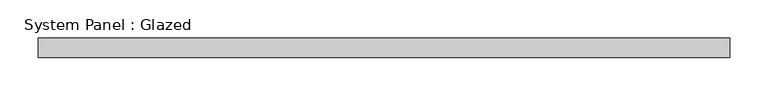
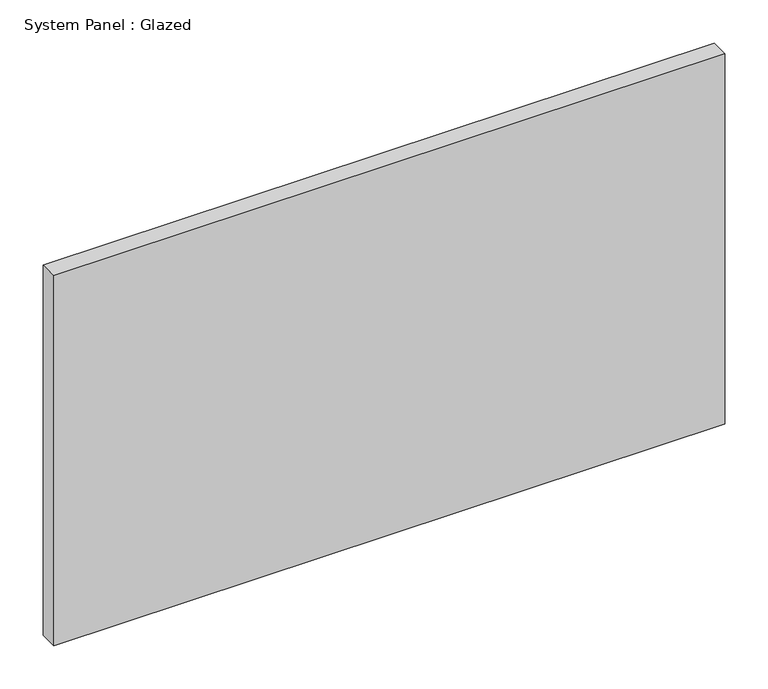
"""IFC4 building model written with IfcOpenShell, lengths in millimetres: plate geometry, System Panel : Glazed."""

import ifcopenshell
import ifcopenshell.guid

model = None  # the IFC model being written
_history = None  # IfcOwnerHistory: only IFC2X3 demands one
_inside = {}  # id of a spatial element -> (the spatial element, [elements in it])
_under = {}  # id of a project, library or spatial element -> (it, [spatial elements below it])
_declared = {}  # id of a project -> (the project, [libraries it declares])
_typed = {}  # id of a type object -> (the type object, [elements of that type])
_made_of = {}  # id of a material, layer set ... -> (it, [elements and type objects made of it])


def new_model(schema):
    """Start an empty IFC model of exactly this schema.

    Asked for "IFC4X3", IfcOpenShell would pick the latest addendum, in which some entities
    have other attributes; the version numbers below select the first issue.
    IFC2X3 requires an IfcOwnerHistory on every rooted entity: one is made here for all.
    """
    global model, _history
    if schema == "IFC4X3":
        model = ifcopenshell.file(schema_version=(4, 3, 0, 0))
    else:
        model = ifcopenshell.file(schema=schema)
    _inside.clear()
    _under.clear()
    _declared.clear()
    _typed.clear()
    _made_of.clear()
    _history = None
    if model.schema == "IFC2X3":
        org = make("IfcOrganization", Name="unknown")
        user = make(
            "IfcPersonAndOrganization",
            ThePerson=make("IfcPerson", FamilyName="unknown"),
            TheOrganization=org,
        )
        app = make(
            "IfcApplication",
            ApplicationDeveloper=org,
            Version="unknown",
            ApplicationFullName="unknown",
            ApplicationIdentifier="unknown",
        )
        _history = make(
            "IfcOwnerHistory",
            OwningUser=user,
            OwningApplication=app,
            ChangeAction="ADDED",
            CreationDate=0,
        )
    return model


def make(cls, **values):
    """One entity of the class cls with the attributes given. An attribute that is None is left unset."""
    return model.create_entity(
        cls, **{name: value for name, value in values.items() if value is not None}
    )


def rooted(cls, **values):
    """An entity with a GlobalId (a new one), such as an element, a storey or a relation."""
    return make(cls, GlobalId=ifcopenshell.guid.new(), OwnerHistory=_history, **values)


def si_unit(unit_type, name, prefix=None):
    """IfcSIUnit, for example si_unit("LENGTHUNIT", "METRE", prefix="MILLI")."""
    return make("IfcSIUnit", UnitType=unit_type, Prefix=prefix, Name=name)


def assignment(units):
    """IfcUnitAssignment: the units of a project."""
    return None if units is None else make("IfcUnitAssignment", Units=units)


def point(xyz):
    """IfcCartesianPoint."""
    return None if xyz is None else make("IfcCartesianPoint", Coordinates=xyz)


def direction(xyz):
    """IfcDirection."""
    return None if xyz is None else make("IfcDirection", DirectionRatios=xyz)


def frame(location, z_axis=None, x_axis=None):
    """IfcAxis2Placement3D, a coordinate frame: its origin and axes. An axis left out is left unset."""
    return make(
        "IfcAxis2Placement3D",
        Location=point(location),
        Axis=direction(z_axis),
        RefDirection=direction(x_axis),
    )


def origin():
    """The frame at (0, 0, 0) with its axes left unset."""
    return frame((0.0, 0.0, 0.0))


def origin_with_axes():
    """The frame at (0, 0, 0) with the z axis (0, 0, 1) and the x axis (1, 0, 0) written out."""
    return frame((0.0, 0.0, 0.0), z_axis=(0.0, 0.0, 1.0), x_axis=(1.0, 0.0, 0.0))


def place(relative_to, where):
    """IfcLocalPlacement: puts the frame where relative to a parent placement (None: the world)."""
    return make(
        "IfcLocalPlacement", PlacementRelTo=relative_to, RelativePlacement=where
    )


def context(
    kind, dimensions, precision=None, world=None, true_north=None, identifier=None
):
    """IfcGeometricRepresentationContext, for example the 3D "Model" context."""
    return make(
        "IfcGeometricRepresentationContext",
        ContextIdentifier=identifier,
        ContextType=kind,
        CoordinateSpaceDimension=dimensions,
        Precision=precision,
        WorldCoordinateSystem=world,
        TrueNorth=true_north,
    )


def project(units=None, contexts=None):
    """IfcProject with its units and contexts."""
    return rooted(
        "IfcProject",
        Name="project",
        RepresentationContexts=contexts,
        UnitsInContext=assignment(units),
    )


def spatial(cls, under=None, at=None, **own):
    """A site, building, storey or space (cls), placed at a placement, below another one or the project."""
    s = rooted(cls, ObjectPlacement=at, **own)
    if under is not None:
        _under.setdefault(under.id(), (under, []))[1].append(s)
    return s


def polyline(points):
    """IfcPolyline through the points."""
    return make("IfcPolyline", Points=[point(p) for p in points])


def outline(outer, holes=None, kind="AREA"):
    """IfcArbitraryClosedProfileDef: a profile drawn as a closed curve; with holes, ...WithVoids."""
    if holes is None:
        return make("IfcArbitraryClosedProfileDef", ProfileType=kind, OuterCurve=outer)
    return make(
        "IfcArbitraryProfileDefWithVoids",
        ProfileType=kind,
        OuterCurve=outer,
        InnerCurves=holes,
    )


def extrude(swept, where, along, depth):
    """IfcExtrudedAreaSolid: the profile swept, set in the frame where, extruded along a direction by depth."""
    return make(
        "IfcExtrudedAreaSolid",
        SweptArea=swept,
        Position=where,
        ExtrudedDirection=direction(along),
        Depth=depth,
    )


def shape(context_of_items, identifier, shape_type, items):
    """IfcShapeRepresentation: the items that make up one representation, for example the "Body"."""
    return make(
        "IfcShapeRepresentation",
        ContextOfItems=context_of_items,
        RepresentationIdentifier=identifier,
        RepresentationType=shape_type,
        Items=items,
    )


def source(mapping_origin, context_of_items, identifier, shape_type, items):
    """IfcRepresentationMap: a shape defined once, which mapped items show again and again."""
    return make(
        "IfcRepresentationMap",
        MappingOrigin=mapping_origin,
        MappedRepresentation=shape(context_of_items, identifier, shape_type, items),
    )


def transform(
    local_origin,
    x_axis=None,
    y_axis=None,
    z_axis=None,
    scale=None,
    scale2=None,
    scale3=None,
    uniform=True,
):
    """IfcCartesianTransformationOperator3D, or its non-uniform kind. x_axis, y_axis, z_axis: its Axis1, 2, 3."""
    if uniform:
        return make(
            "IfcCartesianTransformationOperator3D",
            Axis1=direction(x_axis),
            Axis2=direction(y_axis),
            LocalOrigin=point(local_origin),
            Scale=scale,
            Axis3=direction(z_axis),
        )
    return make(
        "IfcCartesianTransformationOperator3DnonUniform",
        Axis1=direction(x_axis),
        Axis2=direction(y_axis),
        LocalOrigin=point(local_origin),
        Scale=scale,
        Axis3=direction(z_axis),
        Scale2=scale2,
        Scale3=scale3,
    )


def mapped(mapping_source, mapping_target):
    """IfcMappedItem: shows the shape of a source again, moved by a transform."""
    return make(
        "IfcMappedItem", MappingSource=mapping_source, MappingTarget=mapping_target
    )


def made_of(thing, what):
    """Note that an element or type object is made of a material, layer set ...; save() writes the relation."""
    if what is not None:
        _made_of.setdefault(what.id(), (what, []))[1].append(thing)
    return thing


def element(
    cls,
    number,
    at=None,
    inside=None,
    cuts=None,
    type_object=None,
    material=None,
    context=None,
    identifier="Body",
    shape_type=None,
    held_by="IfcProductDefinitionShape",
    body=None,
    shapes=None,
    **own,
):
    """One element of the class cls, such as IfcWall. Its Tag is "e" and its number.

    at: its placement. inside: the storey or other place that contains it. cuts: it is an
    opening in that element (IfcRelVoidsElement). A single representation is given by context,
    identifier, shape_type and body (its items); several are given by shapes. held_by: the class
    of the entity that holds the representations. save() writes the other relations.
    """
    e = rooted(cls, Tag="e%d" % number, ObjectPlacement=at, **own)
    if body is not None:
        shapes = [shape(context, identifier, shape_type, body)]
    if shapes is not None:
        e.Representation = make(held_by, Representations=shapes)
    if inside is not None:
        _inside.setdefault(inside.id(), (inside, []))[1].append(e)
    if cuts is not None:
        rooted(
            "IfcRelVoidsElement", RelatingBuildingElement=cuts, RelatedOpeningElement=e
        )
    if type_object is not None:
        _typed.setdefault(type_object.id(), (type_object, []))[1].append(e)
    return made_of(e, material)


def aggregate(whole, parts):
    """IfcRelAggregates: a whole, such as a stair, and the parts it consists of."""
    return rooted("IfcRelAggregates", RelatingObject=whole, RelatedObjects=parts)


def save(model, path):
    """Write the relations noted so far, then the file.

    IfcRelAggregates (storeys below a building ...), IfcRelContainedInSpatialStructure (elements
    in a storey), IfcRelDefinesByType, IfcRelAssociatesMaterial and IfcRelDeclares: one each for
    every whole, place, type object, material and project.
    """
    for whole, parts in _under.values():
        aggregate(whole, parts)
    for where, things in _inside.values():
        rooted(
            "IfcRelContainedInSpatialStructure",
            RelatedElements=things,
            RelatingStructure=where,
        )
    for kind, things in _typed.values():
        rooted("IfcRelDefinesByType", RelatedObjects=things, RelatingType=kind)
    for what, things in _made_of.values():
        rooted("IfcRelAssociatesMaterial", RelatedObjects=things, RelatingMaterial=what)
    for by, libraries in _declared.values():
        rooted("IfcRelDeclares", RelatingContext=by, RelatedDefinitions=libraries)
    model.write(path)


def system_panel_glazed_37da0c5d(model_context):
    return source(origin(), model_context, "Body", "SweptSolid", [
        extrude(outline(polyline([(450.0, -49.5), (-450.0, -49.5), (-450.0, -24.5), (450.0, -24.5), (450.0, -49.5)])), origin_with_axes(), (0.0, 0.0, 1.0), 525.0),
    ])


if __name__ == "__main__":
    model = new_model("IFC4")
    model_context = context("Model", 3, world=origin())
    ifc_project = project(units=[si_unit("LENGTHUNIT", "METRE", prefix="MILLI")], contexts=[model_context])
    site = spatial("IfcSite", under=ifc_project)
    building = spatial("IfcBuilding", under=site)
    placement = place(None, origin())
    system_panel_glazed_shape = system_panel_glazed_37da0c5d(model_context)
    element("IfcPlate", 1, ObjectType="System Panel : Glazed", at=placement, inside=building, context=model_context, shape_type="MappedRepresentation", body=[
        mapped(system_panel_glazed_shape, transform((0.0, 0.0, 0.0), x_axis=(1.0, 0.0, 0.0), y_axis=(0.0, 1.0, 0.0), z_axis=(0.0, 0.0, 1.0))),
    ])
    save(model, "model.ifc")
